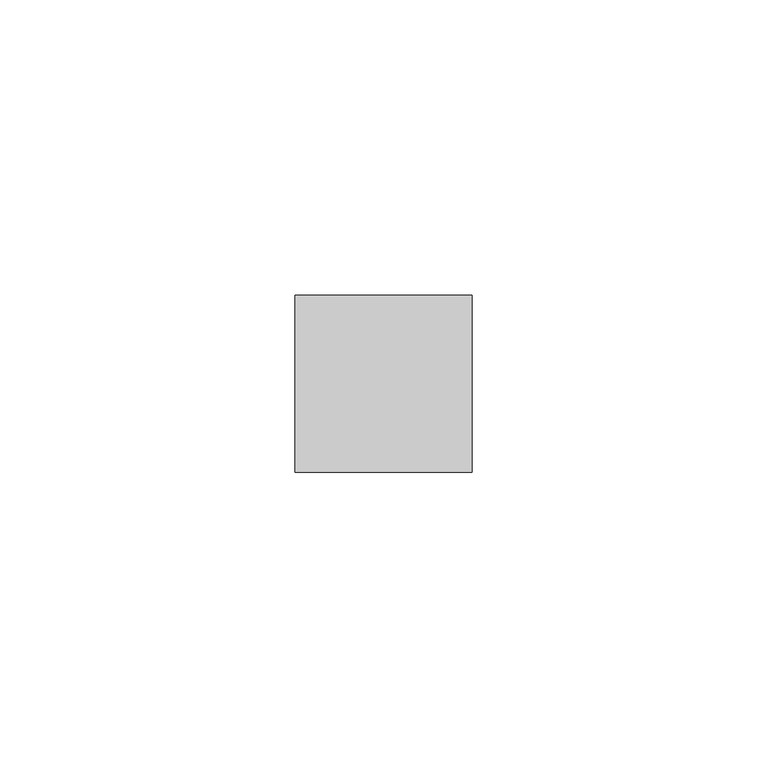
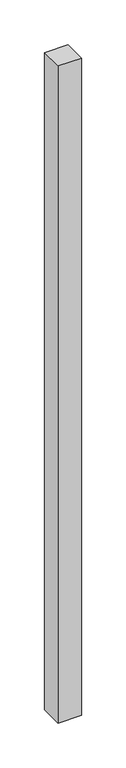
"""IFC4 building model written with IfcOpenShell, lengths in millimetres: member geometry."""

import ifcopenshell
import ifcopenshell.guid

model = None  # the IFC model being written
_history = None  # IfcOwnerHistory: only IFC2X3 demands one
_inside = {}  # id of a spatial element -> (the spatial element, [elements in it])
_under = {}  # id of a project, library or spatial element -> (it, [spatial elements below it])
_declared = {}  # id of a project -> (the project, [libraries it declares])
_typed = {}  # id of a type object -> (the type object, [elements of that type])
_made_of = {}  # id of a material, layer set ... -> (it, [elements and type objects made of it])


def new_model(schema):
    """Start an empty IFC model of exactly this schema.

    Asked for "IFC4X3", IfcOpenShell would pick the latest addendum, in which some entities
    have other attributes; the version numbers below select the first issue.
    IFC2X3 requires an IfcOwnerHistory on every rooted entity: one is made here for all.
    """
    global model, _history
    if schema == "IFC4X3":
        model = ifcopenshell.file(schema_version=(4, 3, 0, 0))
    else:
        model = ifcopenshell.file(schema=schema)
    _inside.clear()
    _under.clear()
    _declared.clear()
    _typed.clear()
    _made_of.clear()
    _history = None
    if model.schema == "IFC2X3":
        org = make("IfcOrganization", Name="unknown")
        user = make(
            "IfcPersonAndOrganization",
            ThePerson=make("IfcPerson", FamilyName="unknown"),
            TheOrganization=org,
        )
        app = make(
            "IfcApplication",
            ApplicationDeveloper=org,
            Version="unknown",
            ApplicationFullName="unknown",
            ApplicationIdentifier="unknown",
        )
        _history = make(
            "IfcOwnerHistory",
            OwningUser=user,
            OwningApplication=app,
            ChangeAction="ADDED",
            CreationDate=0,
        )
    return model


def make(cls, **values):
    """One entity of the class cls with the attributes given. An attribute that is None is left unset."""
    return model.create_entity(
        cls, **{name: value for name, value in values.items() if value is not None}
    )


def rooted(cls, **values):
    """An entity with a GlobalId (a new one), such as an element, a storey or a relation."""
    return make(cls, GlobalId=ifcopenshell.guid.new(), OwnerHistory=_history, **values)


def si_unit(unit_type, name, prefix=None):
    """IfcSIUnit, for example si_unit("LENGTHUNIT", "METRE", prefix="MILLI")."""
    return make("IfcSIUnit", UnitType=unit_type, Prefix=prefix, Name=name)


def assignment(units):
    """IfcUnitAssignment: the units of a project."""
    return None if units is None else make("IfcUnitAssignment", Units=units)


def point(xyz):
    """IfcCartesianPoint."""
    return None if xyz is None else make("IfcCartesianPoint", Coordinates=xyz)


def direction(xyz):
    """IfcDirection."""
    return None if xyz is None else make("IfcDirection", DirectionRatios=xyz)


def frame(location, z_axis=None, x_axis=None):
    """IfcAxis2Placement3D, a coordinate frame: its origin and axes. An axis left out is left unset."""
    return make(
        "IfcAxis2Placement3D",
        Location=point(location),
        Axis=direction(z_axis),
        RefDirection=direction(x_axis),
    )


def origin():
    """The frame at (0, 0, 0) with its axes left unset."""
    return frame((0.0, 0.0, 0.0))


def place(relative_to, where):
    """IfcLocalPlacement: puts the frame where relative to a parent placement (None: the world)."""
    return make(
        "IfcLocalPlacement", PlacementRelTo=relative_to, RelativePlacement=where
    )


def context(
    kind, dimensions, precision=None, world=None, true_north=None, identifier=None
):
    """IfcGeometricRepresentationContext, for example the 3D "Model" context."""
    return make(
        "IfcGeometricRepresentationContext",
        ContextIdentifier=identifier,
        ContextType=kind,
        CoordinateSpaceDimension=dimensions,
        Precision=precision,
        WorldCoordinateSystem=world,
        TrueNorth=true_north,
    )


def project(units=None, contexts=None):
    """IfcProject with its units and contexts."""
    return rooted(
        "IfcProject",
        Name="project",
        RepresentationContexts=contexts,
        UnitsInContext=assignment(units),
    )


def spatial(cls, under=None, at=None, **own):
    """A site, building, storey or space (cls), placed at a placement, below another one or the project."""
    s = rooted(cls, ObjectPlacement=at, **own)
    if under is not None:
        _under.setdefault(under.id(), (under, []))[1].append(s)
    return s


def polyline(points):
    """IfcPolyline through the points."""
    return make("IfcPolyline", Points=[point(p) for p in points])


def outline(outer, holes=None, kind="AREA"):
    """IfcArbitraryClosedProfileDef: a profile drawn as a closed curve; with holes, ...WithVoids."""
    if holes is None:
        return make("IfcArbitraryClosedProfileDef", ProfileType=kind, OuterCurve=outer)
    return make(
        "IfcArbitraryProfileDefWithVoids",
        ProfileType=kind,
        OuterCurve=outer,
        InnerCurves=holes,
    )


def extrude(swept, where, along, depth):
    """IfcExtrudedAreaSolid: the profile swept, set in the frame where, extruded along a direction by depth."""
    return make(
        "IfcExtrudedAreaSolid",
        SweptArea=swept,
        Position=where,
        ExtrudedDirection=direction(along),
        Depth=depth,
    )


def shape(context_of_items, identifier, shape_type, items):
    """IfcShapeRepresentation: the items that make up one representation, for example the "Body"."""
    return make(
        "IfcShapeRepresentation",
        ContextOfItems=context_of_items,
        RepresentationIdentifier=identifier,
        RepresentationType=shape_type,
        Items=items,
    )


def source(mapping_origin, context_of_items, identifier, shape_type, items):
    """IfcRepresentationMap: a shape defined once, which mapped items show again and again."""
    return make(
        "IfcRepresentationMap",
        MappingOrigin=mapping_origin,
        MappedRepresentation=shape(context_of_items, identifier, shape_type, items),
    )


def transform(
    local_origin,
    x_axis=None,
    y_axis=None,
    z_axis=None,
    scale=None,
    scale2=None,
    scale3=None,
    uniform=True,
):
    """IfcCartesianTransformationOperator3D, or its non-uniform kind. x_axis, y_axis, z_axis: its Axis1, 2, 3."""
    if uniform:
        return make(
            "IfcCartesianTransformationOperator3D",
            Axis1=direction(x_axis),
            Axis2=direction(y_axis),
            LocalOrigin=point(local_origin),
            Scale=scale,
            Axis3=direction(z_axis),
        )
    return make(
        "IfcCartesianTransformationOperator3DnonUniform",
        Axis1=direction(x_axis),
        Axis2=direction(y_axis),
        LocalOrigin=point(local_origin),
        Scale=scale,
        Axis3=direction(z_axis),
        Scale2=scale2,
        Scale3=scale3,
    )


def mapped(mapping_source, mapping_target):
    """IfcMappedItem: shows the shape of a source again, moved by a transform."""
    return make(
        "IfcMappedItem", MappingSource=mapping_source, MappingTarget=mapping_target
    )


def made_of(thing, what):
    """Note that an element or type object is made of a material, layer set ...; save() writes the relation."""
    if what is not None:
        _made_of.setdefault(what.id(), (what, []))[1].append(thing)
    return thing


def element(
    cls,
    number,
    at=None,
    inside=None,
    cuts=None,
    type_object=None,
    material=None,
    context=None,
    identifier="Body",
    shape_type=None,
    held_by="IfcProductDefinitionShape",
    body=None,
    shapes=None,
    **own,
):
    """One element of the class cls, such as IfcWall. Its Tag is "e" and its number.

    at: its placement. inside: the storey or other place that contains it. cuts: it is an
    opening in that element (IfcRelVoidsElement). A single representation is given by context,
    identifier, shape_type and body (its items); several are given by shapes. held_by: the class
    of the entity that holds the representations. save() writes the other relations.
    """
    e = rooted(cls, Tag="e%d" % number, ObjectPlacement=at, **own)
    if body is not None:
        shapes = [shape(context, identifier, shape_type, body)]
    if shapes is not None:
        e.Representation = make(held_by, Representations=shapes)
    if inside is not None:
        _inside.setdefault(inside.id(), (inside, []))[1].append(e)
    if cuts is not None:
        rooted(
            "IfcRelVoidsElement", RelatingBuildingElement=cuts, RelatedOpeningElement=e
        )
    if type_object is not None:
        _typed.setdefault(type_object.id(), (type_object, []))[1].append(e)
    return made_of(e, material)


def aggregate(whole, parts):
    """IfcRelAggregates: a whole, such as a stair, and the parts it consists of."""
    return rooted("IfcRelAggregates", RelatingObject=whole, RelatedObjects=parts)


def save(model, path):
    """Write the relations noted so far, then the file.

    IfcRelAggregates (storeys below a building ...), IfcRelContainedInSpatialStructure (elements
    in a storey), IfcRelDefinesByType, IfcRelAssociatesMaterial and IfcRelDeclares: one each for
    every whole, place, type object, material and project.
    """
    for whole, parts in _under.values():
        aggregate(whole, parts)
    for where, things in _inside.values():
        rooted(
            "IfcRelContainedInSpatialStructure",
            RelatedElements=things,
            RelatingStructure=where,
        )
    for kind, things in _typed.values():
        rooted("IfcRelDefinesByType", RelatedObjects=things, RelatingType=kind)
    for what, things in _made_of.values():
        rooted("IfcRelAssociatesMaterial", RelatedObjects=things, RelatingMaterial=what)
    for by, libraries in _declared.values():
        rooted("IfcRelDeclares", RelatingContext=by, RelatedDefinitions=libraries)
    model.write(path)


def member_50224a31(model_context):
    return source(origin(), model_context, "Body", "SweptSolid", [
        extrude(outline(polyline([(15.0, 15.0), (15.0, -15.0), (-15.0, -15.0), (-15.0, 15.0), (15.0, 15.0)])), frame((0.0, 0.0, -894.6964286), z_axis=(0.0, 0.0, 1.0), x_axis=(1.0, 0.0, 0.0)), (0.0, 0.0, 1.0), 894.6964286),
    ])


if __name__ == "__main__":
    model = new_model("IFC4")
    model_context = context("Model", 3, world=origin())
    ifc_project = project(units=[si_unit("LENGTHUNIT", "METRE", prefix="MILLI")], contexts=[model_context])
    site = spatial("IfcSite", under=ifc_project)
    building = spatial("IfcBuilding", under=site)
    placement = place(None, origin())
    member_shape = member_50224a31(model_context)
    element("IfcMember", 1, at=placement, inside=building, context=model_context, shape_type="MappedRepresentation", body=[
        mapped(member_shape, transform((0.0, 0.0, 0.0), x_axis=(1.0, 0.0, 0.0), y_axis=(0.0, 1.0, 0.0), z_axis=(0.0, 0.0, 1.0))),
    ])
    save(model, "model.ifc")
